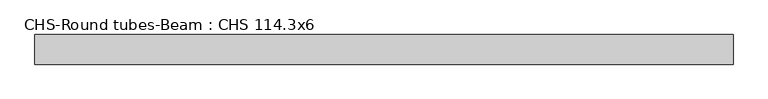
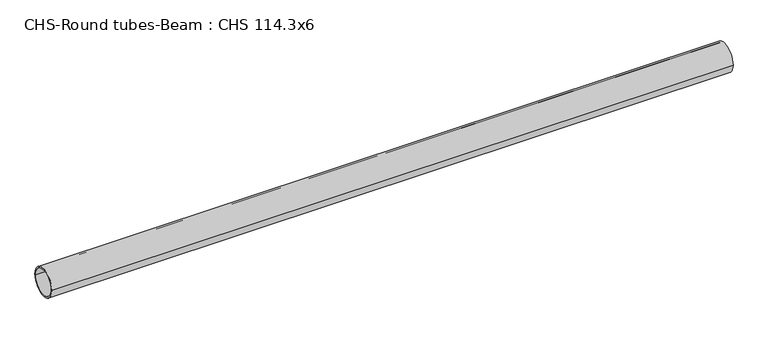
"""IFC4 building model written with IfcOpenShell, lengths in millimetres: beam geometry, CHS-Round tubes-Beam : CHS 114.3x6."""

from ifc_helpers import new_model, si_unit, point, frame, origin, origin_2d, place, context, project, spatial, circle_curve, trimmed, segment, composite_curve, outline, extrude, source, transform, mapped, element, save


def chs_round_tubes_beam_chs_114_3x6_498d08a1(model_context):
    return source(origin(), model_context, "Body", "SweptSolid", [
        extrude(outline(composite_curve([segment(trimmed(circle_curve(origin_2d(), 57.15), [point((57.15, 0.0))], [point((-57.15, 0.0))], False, "CARTESIAN"), True, "CONTINUOUS"), segment(trimmed(circle_curve(origin_2d(), 57.15), [point((-57.15, 0.0))], [point((57.15, 0.0))], False, "CARTESIAN"), True, "CONTINUOUS")], self_intersect=False), holes=[composite_curve([segment(trimmed(circle_curve(origin_2d(), 51.15), [point((51.15, 0.0))], [point((-51.15, 0.0))], True, "CARTESIAN"), True, "CONTINUOUS"), segment(trimmed(circle_curve(origin_2d(), 51.15), [point((-51.15, 0.0))], [point((51.15, 0.0))], True, "CARTESIAN"), True, "CONTINUOUS")], self_intersect=False)]), frame((-1332.9954872, 0.0, 0.0), z_axis=(1.0, 0.0, 0.0), x_axis=(0.0, 1.0, 0.0)), (0.0, 0.0, 1.0), 2690.3022188),
    ])


if __name__ == "__main__":
    model = new_model("IFC4")
    model_context = context("Model", 3, world=origin())
    ifc_project = project(units=[si_unit("LENGTHUNIT", "METRE", prefix="MILLI")], contexts=[model_context])
    site = spatial("IfcSite", under=ifc_project)
    building = spatial("IfcBuilding", under=site)
    placement = place(None, origin())
    chs_round_tubes_beam_chs_114_3x6_shape = chs_round_tubes_beam_chs_114_3x6_498d08a1(model_context)
    element("IfcBeam", 1, ObjectType="CHS-Round tubes-Beam : CHS 114.3x6", at=placement, inside=building, context=model_context, shape_type="MappedRepresentation", body=[
        mapped(chs_round_tubes_beam_chs_114_3x6_shape, transform((0.0, 0.0, 0.0), x_axis=(1.0, 0.0, 0.0), y_axis=(0.0, 1.0, 0.0), z_axis=(0.0, 0.0, 1.0))),
    ])
    save(model, "model.ifc")
